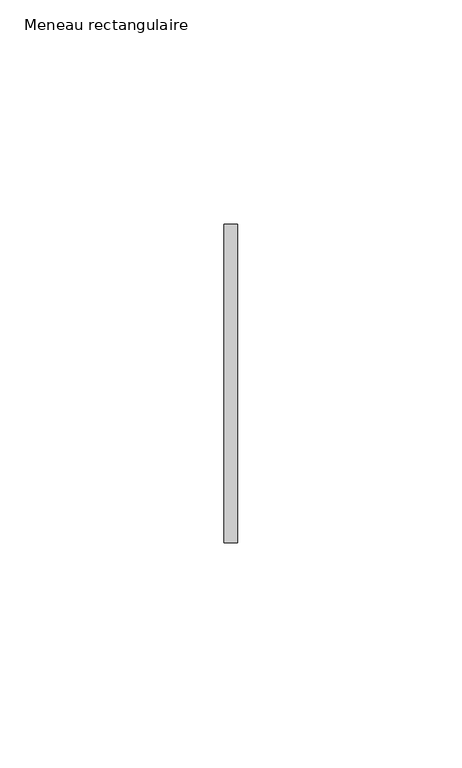
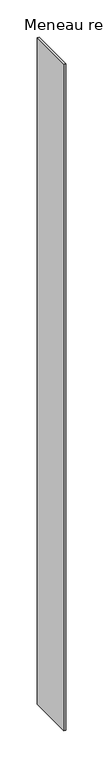
"""IFC4 building model written with IfcOpenShell, lengths in millimetres: member geometry, Meneau rectangulaire."""

from ifc_helpers import new_model, si_unit, frame, origin, place, context, project, spatial, polyline, outline, extrude, source, transform, mapped, element, save


def meneau_rectangulaire_4ed34092(model_context):
    return source(origin(), model_context, "Body", "SweptSolid", [
        extrude(outline(polyline([(-1.5, 35.5), (1.5, 35.5), (1.5, -35.5), (-1.5, -35.5), (-1.5, 35.5)])), frame((0.0, 0.0, -1091.3750002), z_axis=(0.0, 0.0, 1.0), x_axis=(1.0, 0.0, 0.0)), (0.0, 0.0, 1.0), 1091.3750002),
    ])


if __name__ == "__main__":
    model = new_model("IFC4")
    model_context = context("Model", 3, world=origin())
    ifc_project = project(units=[si_unit("LENGTHUNIT", "METRE", prefix="MILLI")], contexts=[model_context])
    site = spatial("IfcSite", under=ifc_project)
    building = spatial("IfcBuilding", under=site)
    placement = place(None, origin())
    meneau_rectangulaire_shape = meneau_rectangulaire_4ed34092(model_context)
    element("IfcMember", 1, ObjectType="Meneau rectangulaire", at=placement, inside=building, context=model_context, shape_type="MappedRepresentation", body=[
        mapped(meneau_rectangulaire_shape, transform((0.0, 0.0, 0.0), x_axis=(1.0, 0.0, 0.0), y_axis=(0.0, 1.0, 0.0), z_axis=(0.0, 0.0, 1.0))),
    ])
    save(model, "model.ifc")
